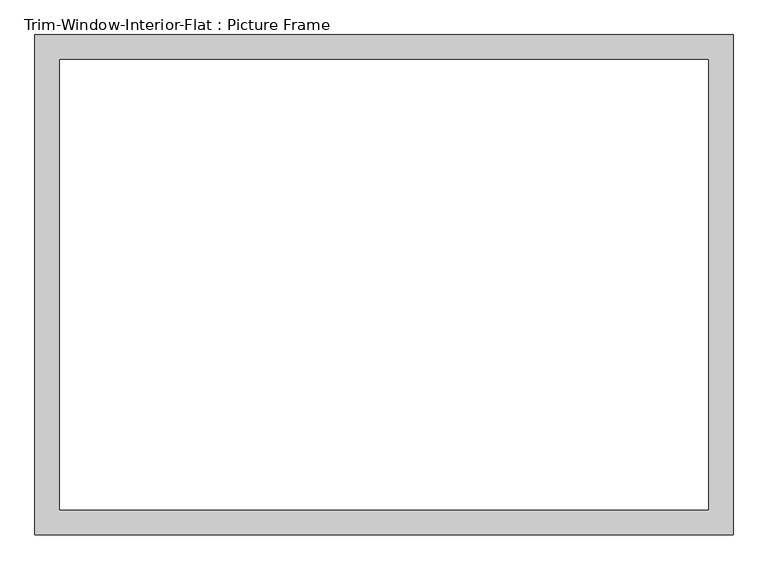
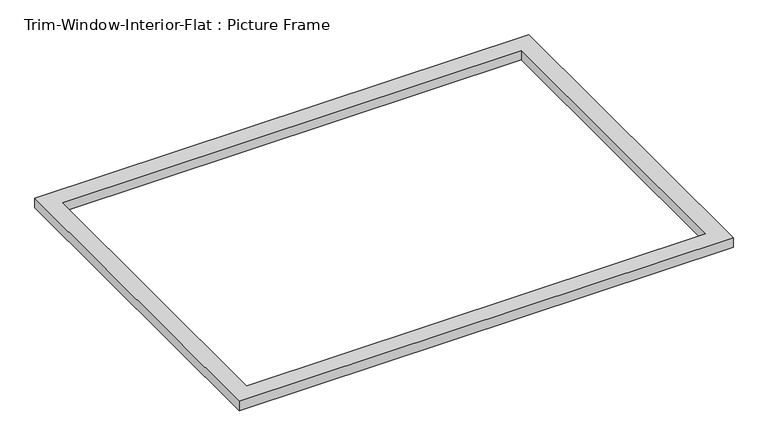
"""IFC4 building model written with IfcOpenShell, lengths in millimetres: proxy geometry, Trim-Window-Interior-Flat : Picture Frame."""

from ifc_helpers import new_model, si_unit, origin, origin_with_axes, place, context, project, spatial, polyline, outline, extrude, source, transform, mapped, element, save


def trim_window_interior_flat_picture_frame_756acd52(model_context):
    return source(origin(), model_context, "Body", "SweptSolid", [
        extrude(outline(polyline([(806.45, 44.45), (806.45, -1111.25), (-806.45, -1111.25), (-806.45, 44.45), (806.45, 44.45)]), holes=[polyline([(749.3, -12.7), (-749.3, -12.7), (-749.3, -1054.1), (749.3, -1054.1), (749.3, -12.7)])]), origin_with_axes(), (0.0, 0.0, 1.0), 31.75),
    ])


if __name__ == "__main__":
    model = new_model("IFC4")
    model_context = context("Model", 3, world=origin())
    ifc_project = project(units=[si_unit("LENGTHUNIT", "METRE", prefix="MILLI")], contexts=[model_context])
    site = spatial("IfcSite", under=ifc_project)
    building = spatial("IfcBuilding", under=site)
    placement = place(None, origin())
    trim_window_interior_flat_picture_frame_shape = trim_window_interior_flat_picture_frame_756acd52(model_context)
    element("IfcBuildingElementProxy", 1, Name="Trim-Window-Interior-Flat : Picture Frame", ObjectType="Trim-Window-Interior-Flat : Picture Frame", at=placement, inside=building, context=model_context, shape_type="MappedRepresentation", body=[
        mapped(trim_window_interior_flat_picture_frame_shape, transform((0.0, 0.0, 0.0), x_axis=(1.0, 0.0, 0.0), y_axis=(0.0, 1.0, 0.0), z_axis=(0.0, 0.0, 1.0))),
    ])
    save(model, "model.ifc")
